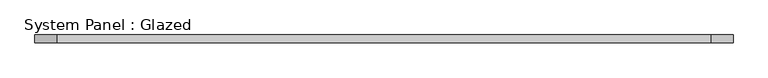
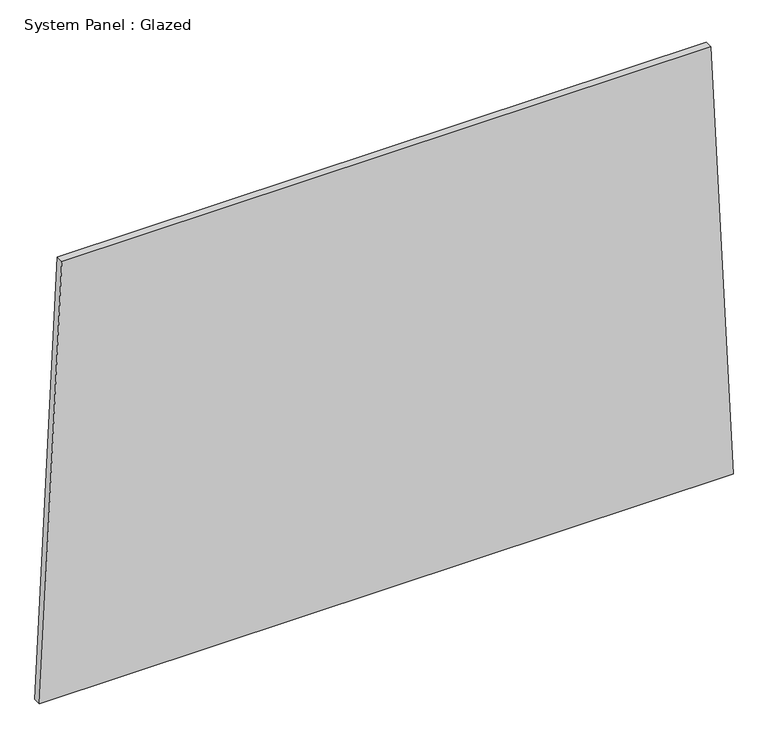
"""IFC4 building model written with IfcOpenShell, lengths in millimetres: plate geometry, System Panel : Glazed."""

from ifc_helpers import new_model, si_unit, frame, origin, place, context, project, spatial, polyline, outline, extrude, source, transform, mapped, element, save


def system_panel_glazed_b1aee2f5(model_context):
    return source(origin(), model_context, "Body", "SweptSolid", [
        extrude(outline(polyline([(0.0, -1092.2484654), (0.0, 1092.2484654), (1448.2486483, 1022.2023905), (1448.248302, -1022.1962164), (0.0, -1092.2484654)])), frame((0.0, -49.5, 0.0), z_axis=(0.0, 1.0, 0.0), x_axis=(0.0, 0.0, 1.0)), (0.0, 0.0, 1.0), 25.0),
    ])


if __name__ == "__main__":
    model = new_model("IFC4")
    model_context = context("Model", 3, world=origin())
    ifc_project = project(units=[si_unit("LENGTHUNIT", "METRE", prefix="MILLI")], contexts=[model_context])
    site = spatial("IfcSite", under=ifc_project)
    building = spatial("IfcBuilding", under=site)
    placement = place(None, origin())
    system_panel_glazed_shape = system_panel_glazed_b1aee2f5(model_context)
    element("IfcPlate", 1, ObjectType="System Panel : Glazed", at=placement, inside=building, context=model_context, shape_type="MappedRepresentation", body=[
        mapped(system_panel_glazed_shape, transform((0.0, 0.0, 0.0), x_axis=(1.0, 0.0, 0.0), y_axis=(0.0, 1.0, 0.0), z_axis=(0.0, 0.0, 1.0))),
    ])
    save(model, "model.ifc")
